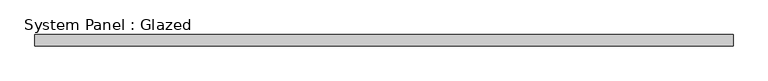
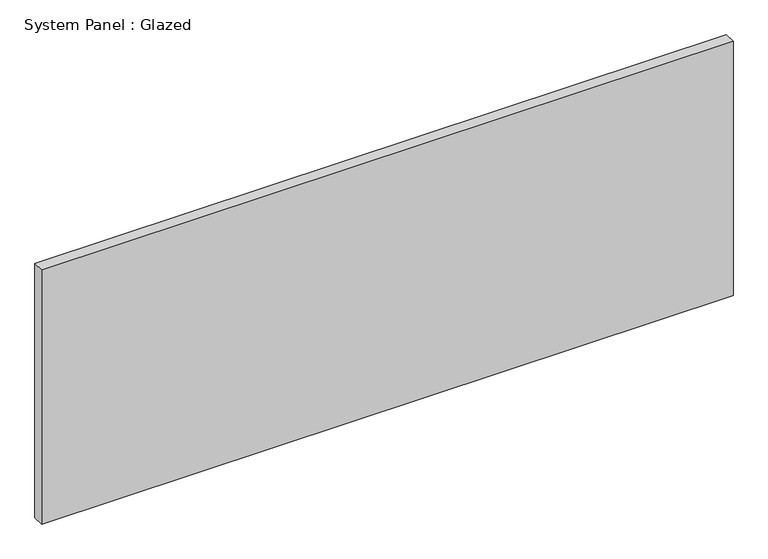
"""IFC4 building model written with IfcOpenShell, lengths in millimetres: plate geometry, System Panel : Glazed."""

from ifc_helpers import new_model, si_unit, origin, origin_with_axes, place, context, project, spatial, polyline, outline, extrude, source, transform, mapped, element, save


def system_panel_glazed_009d11fd(model_context):
    return source(origin(), model_context, "Body", "SweptSolid", [
        extrude(outline(polyline([(768.35, 19.05), (-768.35, 19.05), (-768.35, 44.45), (768.35, 44.45), (768.35, 19.05)])), origin_with_axes(), (0.0, 0.0, 1.0), 596.9),
    ])


if __name__ == "__main__":
    model = new_model("IFC4")
    model_context = context("Model", 3, world=origin())
    ifc_project = project(units=[si_unit("LENGTHUNIT", "METRE", prefix="MILLI")], contexts=[model_context])
    site = spatial("IfcSite", under=ifc_project)
    building = spatial("IfcBuilding", under=site)
    placement = place(None, origin())
    system_panel_glazed_shape = system_panel_glazed_009d11fd(model_context)
    element("IfcPlate", 1, ObjectType="System Panel : Glazed", at=placement, inside=building, context=model_context, shape_type="MappedRepresentation", body=[
        mapped(system_panel_glazed_shape, transform((0.0, 0.0, 0.0), x_axis=(1.0, 0.0, 0.0), y_axis=(0.0, 1.0, 0.0), z_axis=(0.0, 0.0, 1.0))),
    ])
    save(model, "model.ifc")
